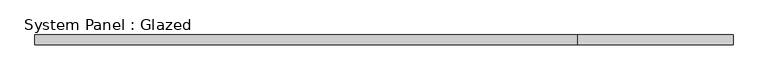
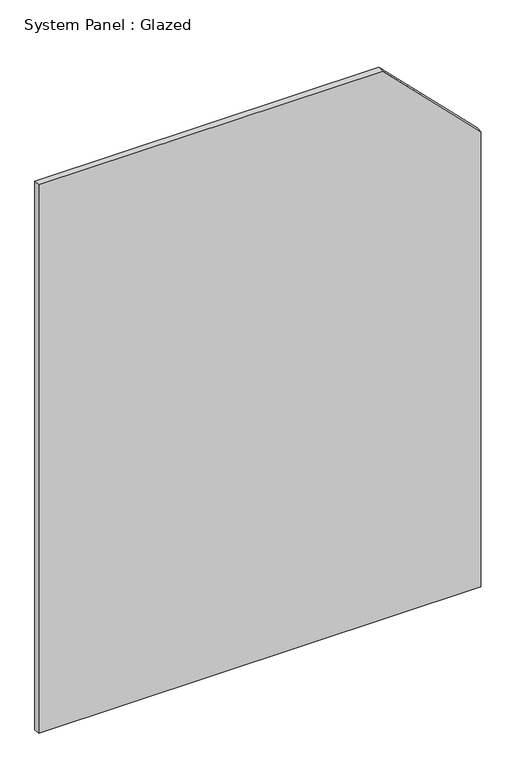
"""IFC4 building model written with IfcOpenShell, lengths in millimetres: plate geometry, System Panel : Glazed."""

from ifc_helpers import new_model, si_unit, frame, origin, place, context, project, spatial, polyline, outline, extrude, source, transform, mapped, element, save


def system_panel_glazed_5424c1d2(model_context):
    return source(origin(), model_context, "Body", "SweptSolid", [
        extrude(outline(polyline([(0.0, -887.5), (0.0, 887.5), (1930.2943725, 887.5), (2325.0, 492.7943725), (2325.0, -887.5), (0.0, -887.5)])), frame((0.0, 24.5, 0.0), z_axis=(0.0, 1.0, 0.0), x_axis=(0.0, 0.0, 1.0)), (0.0, 0.0, 1.0), 25.0),
    ])


if __name__ == "__main__":
    model = new_model("IFC4")
    model_context = context("Model", 3, world=origin())
    ifc_project = project(units=[si_unit("LENGTHUNIT", "METRE", prefix="MILLI")], contexts=[model_context])
    site = spatial("IfcSite", under=ifc_project)
    building = spatial("IfcBuilding", under=site)
    placement = place(None, origin())
    system_panel_glazed_shape = system_panel_glazed_5424c1d2(model_context)
    element("IfcPlate", 1, ObjectType="System Panel : Glazed", at=placement, inside=building, context=model_context, shape_type="MappedRepresentation", body=[
        mapped(system_panel_glazed_shape, transform((0.0, 0.0, 0.0), x_axis=(1.0, 0.0, 0.0), y_axis=(0.0, 1.0, 0.0), z_axis=(0.0, 0.0, 1.0))),
    ])
    save(model, "model.ifc")
